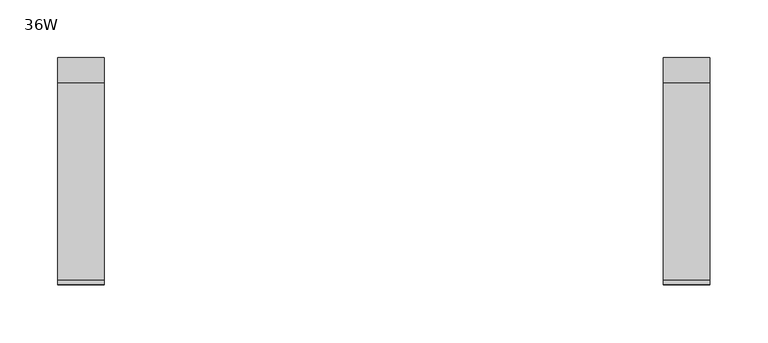
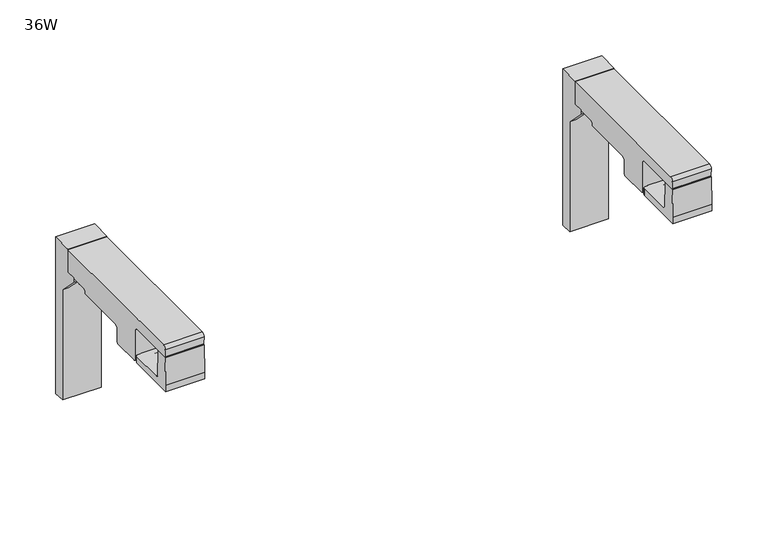
"""IFC4 building model written with IfcOpenShell, lengths in millimetres: furniture geometry, 36W."""

from ifc_helpers import new_model, si_unit, frame, origin, place, context, project, spatial, polyline, circle_curve, ellipse_curve, faceted_brep, source, transform, mapped, element, save
from ifc_brep_helpers import plane_surface, cylinder_surface, revolved_surface, advanced_brep


def furniture_36w_1440425d(model_context):
    return source(origin(), model_context, "Body", "SolidModel", [
        faceted_brep([(737.7843383, -13.0002398, 524.4821214), (737.7843383, -13.0002398, 695.7320972), (737.7843383, -34.3753954, 695.2400793), (737.7843383, -34.3753954, 669.9490718), (737.7843383, -44.7208395, 669.9490718), (737.7843383, -44.7208395, 665.1521324), (737.7843383, -25.2208397, 645.4422163), (737.7843383, -25.2208397, 524.9821272), (697.7843271, -13.0002398, 524.4821214), (697.7843271, -25.2208397, 524.9821272), (697.7843271, -25.2208397, 645.4422163), (697.7843271, -44.7208395, 665.1521324), (697.7843271, -44.7208395, 669.9490718), (697.7843271, -34.3753954, 669.9490718), (697.7843271, -34.3753954, 695.2400793), (697.7843271, -13.0002398, 695.7320972), (704.0365186, -44.7208395, 665.1521324), (715.1615118, -44.7208395, 665.0522834), (720.911506, -44.7208395, 665.1521324), (732.0365174, -44.7208395, 665.0522834), (732.0365174, -25.2208397, 645.4422163), (704.0365186, -25.2208397, 645.4422163), (715.1615118, -25.2208397, 645.4422163), (720.911506, -25.2208397, 645.4422163), (732.0365174, -25.2208397, 665.0522834), (720.911506, -25.2208397, 665.0522834), (715.1615118, -25.2208397, 665.0522834), (704.0365186, -25.2208397, 665.0522834)], [[[0, 1, 2, 3, 4, 5, 6, 7]], [[8, 9, 10, 11, 12, 13, 14, 15]], [[1, 0, 8, 15]], [[2, 1, 15, 14]], [[3, 2, 14, 13]], [[4, 3, 13, 12]], [[5, 4, 12, 11, 16, 17, 18, 19]], [[6, 5, 19, 20]], [[11, 10, 21, 16]], [[18, 17, 22, 23]], [[7, 6, 20, 24, 25, 23, 22, 26, 27, 21, 10, 9]], [[0, 7, 9, 8]], [[25, 24, 19, 18]], [[27, 26, 17, 16]], [[21, 27, 16]], [[26, 22, 17]], [[24, 20, 19]], [[23, 25, 18]]]),
        faceted_brep([(213.3963495, -13.0002398, 524.4821214), (213.3963495, -13.0002398, 695.7320972), (213.3963495, -34.3753954, 695.2400793), (213.3963495, -34.3753954, 669.9490718), (213.3963495, -44.7208395, 669.9490718), (213.3963495, -44.7208395, 665.1521324), (213.3963495, -25.2208397, 645.4422163), (213.3963495, -25.2208397, 524.9821272), (173.3963383, -13.0002398, 524.4821214), (173.3963383, -25.2208397, 524.9821272), (173.3963383, -25.2208397, 645.4422163), (173.3963383, -44.7208395, 665.1521324), (173.3963383, -44.7208395, 669.9490718), (173.3963383, -34.3753954, 669.9490718), (173.3963383, -34.3753954, 695.2400793), (173.3963383, -13.0002398, 695.7320972), (179.1463507, -44.7208395, 665.1521324), (190.2713439, -44.7208395, 665.0522834), (196.0213381, -44.7208395, 665.1521324), (207.1463495, -44.7208395, 665.0522834), (207.1463495, -25.2208397, 645.4422163), (179.1463507, -25.2208397, 645.4422163), (190.2713439, -25.2208397, 645.4422163), (196.0213381, -25.2208397, 645.4422163), (207.1463495, -25.2208397, 665.0522834), (196.0213381, -25.2208397, 665.0522834), (190.2713439, -25.2208397, 665.0522834), (179.1463507, -25.2208397, 665.0522834)], [[[0, 1, 2, 3, 4, 5, 6, 7]], [[8, 9, 10, 11, 12, 13, 14, 15]], [[1, 0, 8, 15]], [[2, 1, 15, 14]], [[3, 2, 14, 13]], [[4, 3, 13, 12]], [[5, 4, 12, 11, 16, 17, 18, 19]], [[6, 5, 19, 20]], [[11, 10, 21, 16]], [[18, 17, 22, 23]], [[7, 6, 20, 24, 25, 23, 22, 26, 27, 21, 10, 9]], [[0, 7, 9, 8]], [[25, 24, 19, 18]], [[27, 26, 17, 16]], [[21, 27, 16]], [[26, 22, 17]], [[24, 20, 19]], [[23, 25, 18]]]),
        advanced_brep(
        [(737.7843383, -34.3762385, 694.756892), (737.7843383, -205.6270499, 694.756892), (737.7843383, -209.1428417, 691.2411031), (737.7843383, -208.8189173, 683.347709), (737.7843383, -208.1362423, 682.8696948), (737.7843383, -157.5847288, 682.8696948), (737.7843383, -155.1147078, 680.3996738), (737.7843383, -155.1147078, 648.2077661), (737.7843383, -153.1244417, 646.2175), (737.7843383, -124.7937764, 646.2175), (737.7843383, -123.0534282, 647.9578482), (737.7843383, -122.5427758, 662.5810192), (737.7843383, -120.0715116, 665.0522834), (737.7843383, -67.0503173, 665.0522834), (737.7843383, -65.9566254, 665.5053107), (737.7843383, -65.3708418, 666.9194686), (737.7843383, -65.3708418, 667.9194802), (737.7843383, -64.7850536, 669.3337107), (737.7843383, -63.2994578, 669.9490718), (737.7843383, -34.3762385, 669.9490718), (697.7843271, -34.3762385, 694.756892), (697.7843271, -34.3762385, 669.9490718), (697.7843271, -63.2994578, 669.9490718), (697.7843271, -64.7850536, 669.3337107), (697.7843271, -65.3708418, 667.9194802), (697.7843271, -65.3708418, 666.9194686), (697.7843271, -65.9566254, 665.5053107), (697.7843271, -67.0503173, 665.0522834), (697.7843271, -120.0715116, 665.0522834), (697.7843271, -122.5427758, 662.5810192), (697.7843271, -123.0534282, 647.9578482), (697.7843271, -124.7937764, 646.2175), (697.7843271, -153.1244417, 646.2175), (697.7843271, -155.1147078, 648.2077661), (697.7843271, -155.1147078, 680.3996738), (697.7843271, -157.5847288, 682.8696948), (697.7843271, -208.1362423, 682.8696948), (697.7843271, -208.8189173, 683.347709), (697.7843271, -209.1428417, 691.2411031), (697.7843271, -205.6270499, 694.756892), (702.7797897, -124.7937764, 646.2175), (702.7797897, -140.0738437, 646.2175), (732.8515099, -140.0738437, 646.2175), (732.8515099, -124.7937764, 646.2175), (732.7752781, -123.0534282, 647.9578482), (702.8560215, -123.0534282, 647.9578482), (732.3094335, -122.682043, 658.5929286), (721.4513665, -122.6654343, 659.0685406), (714.1799316, -122.6654343, 659.0685406), (703.321866, -122.682043, 658.5929286), (731.8099401, -63.2994578, 669.9490718), (731.8099401, -34.3762385, 669.9490718), (703.7059231, -34.3762385, 669.9490718), (703.7059231, -63.2994578, 669.9490718), (703.6909291, -64.4119278, 669.4882663), (731.8277347, -64.3762385, 669.5030495), (731.5138826, -34.3762385, 679.0477242), (729.0796033, -34.3762385, 681.4820035), (706.4362611, -34.3762385, 681.4820035), (704.0019819, -34.3762385, 679.0477242), (729.0796033, -64.3762385, 681.4820035), (731.5138826, -64.3762385, 679.0477242), (704.0019819, -64.3762385, 679.0477242), (706.4362611, -64.3762385, 681.4820035), (714.1799316, -140.0738437, 659.0685406), (721.4513665, -140.0738437, 659.0685406), (732.3094335, -140.0738437, 658.5929286), (703.321866, -140.0738437, 658.5929286)],
        [
            (0, 1),
            (1, 2, circle_curve(frame((737.7843383, -205.6270499, 691.2411002), z_axis=(1.0, 0.0, 0.0), x_axis=(0.0, 1.0, 0.0)), 3.5157917)),
            (2, 3),
            (3, 4, circle_curve(frame((737.7843383, -208.2951756, 683.369202), z_axis=(1.0, 0.0, 0.0), x_axis=(0.0, 1.0, 0.0)), 0.5241824)),
            (4, 5),
            (5, 6),
            (6, 7),
            (7, 8, circle_curve(frame((737.7843383, -153.1244417, 648.2077661), z_axis=(1.0, 0.0, 0.0), x_axis=(0.0, 1.0, 0.0)), 1.9902661)),
            (8, 9),
            (9, 10, circle_curve(frame((737.7843383, -124.7937764, 647.9578482), z_axis=(1.0, 0.0, 0.0), x_axis=(0.0, 1.0, 0.0)), 1.7403482)),
            (10, 11),
            (11, 12),
            (12, 13),
            (13, 14),
            (14, 15),
            (15, 16),
            (16, 17),
            (17, 18),
            (18, 19),
            (19, 0),
            (20, 21),
            (21, 22),
            (22, 23),
            (23, 24),
            (24, 25),
            (25, 26),
            (26, 27),
            (27, 28),
            (28, 29),
            (29, 30),
            (30, 31, circle_curve(frame((697.7843271, -124.7937764, 647.9578482), z_axis=(-1.0, 0.0, 0.0), x_axis=(0.0, 1.0, 0.0)), 1.7403482)),
            (31, 32),
            (32, 33, circle_curve(frame((697.7843271, -153.1244417, 648.2077661), z_axis=(-1.0, 0.0, 0.0), x_axis=(0.0, 1.0, 0.0)), 1.9902661)),
            (33, 34),
            (34, 35),
            (35, 36),
            (36, 37, circle_curve(frame((697.7843271, -208.2951756, 683.369202), z_axis=(-1.0, 0.0, 0.0), x_axis=(0.0, 1.0, 0.0)), 0.5241824)),
            (37, 38),
            (38, 39, circle_curve(frame((697.7843271, -205.6270499, 691.2411002), z_axis=(-1.0, 0.0, 0.0), x_axis=(0.0, 1.0, 0.0)), 3.5157917)),
            (39, 20),
            (0, 20),
            (39, 1),
            (38, 2),
            (37, 3),
            (4, 36),
            (35, 5),
            (34, 6),
            (33, 7),
            (32, 8),
            (31, 40),
            (40, 41),
            (41, 42),
            (42, 43),
            (43, 9),
            (43, 44, ellipse_curve(frame((732.7752781, -124.7937764, 647.9578482), z_axis=(0.9990420426682839, 0.0, 0.04376067848174626), x_axis=(0.04376067848174691, 0.0, -0.9990420426682839)), 1.742017, 1.7403482)),
            (44, 10),
            (30, 45),
            (45, 40, ellipse_curve(frame((702.8560215, -124.7937764, 647.9578482), z_axis=(-0.9990420429157125, 0.0, 0.043760672833031804), x_axis=(0.043760672833030895, 0.0, 0.9990420429157125)), 1.742017, 1.7403482)),
            (44, 46),
            (46, 47),
            (47, 48),
            (48, 49),
            (49, 45),
            (29, 11),
            (28, 12),
            (27, 13),
            (18, 50),
            (50, 51),
            (51, 19),
            (21, 52),
            (52, 53),
            (53, 22),
            (26, 14),
            (25, 15),
            (24, 16),
            (23, 17),
            (53, 54),
            (54, 55),
            (55, 50),
            (51, 56),
            (56, 57, circle_curve(frame((729.0796033, -34.3762385, 679.0477242), z_axis=(0.0, -1.0, 0.0), x_axis=(1.0, 0.0, 0.0)), 2.4342793)),
            (57, 58),
            (58, 59, circle_curve(frame((706.4362611, -34.3762385, 679.0477242), z_axis=(0.0, -1.0, 0.0), x_axis=(1.0, 0.0, 0.0)), 2.4342793)),
            (59, 52),
            (60, 61, circle_curve(frame((729.0796033, -64.3762385, 679.0477242), z_axis=(0.0, 1.0, 0.0), x_axis=(1.0, 0.0, 0.0)), 2.4342793)),
            (61, 55),
            (54, 62),
            (62, 63, circle_curve(frame((706.4362611, -64.3762385, 679.0477242), z_axis=(0.0, 1.0, 0.0), x_axis=(1.0, 0.0, 0.0)), 2.4342793)),
            (63, 60),
            (63, 58),
            (57, 60),
            (62, 59),
            (61, 56),
            (64, 65),
            (65, 66),
            (66, 42),
            (41, 67),
            (67, 64),
            (67, 49),
            (48, 64),
            (66, 46),
            (65, 47),
        ],
        [
            plane_surface(frame((737.7843383, -205.6270499, 694.756892), z_axis=(1.0, 0.0, 0.0), x_axis=(0.0, -1.0, 0.0))),
            plane_surface(frame((697.7843271, -205.6270499, 694.756892), z_axis=(-1.0, 0.0, 0.0), x_axis=(0.0, 1.0, 0.0))),
            plane_surface(frame((737.7843383, -34.3762385, 694.756892), z_axis=(0.0, 0.0, 1.0), x_axis=(-1.0, 0.0, 0.0))),
            cylinder_surface(frame((697.7843271, -205.6270499, 691.2411002), z_axis=(1.0, 0.0, 0.0), x_axis=(0.0, 1.0, 0.0)), 3.5157917),
            plane_surface(frame((737.7843383, -209.1428417, 691.2411031), z_axis=(0.0, -0.9991590276048403, -0.04100289691899894), x_axis=(-1.0, 0.0, 0.0))),
            plane_surface(frame((737.7843383, -208.1362423, 682.8696948), z_axis=(0.0, 0.0, -1.0), x_axis=(-1.0, 0.0, 0.0))),
            plane_surface(frame((737.7843383, -157.5847288, 682.8696948), z_axis=(0.0, -0.7071067811865281, -0.7071067811865669), x_axis=(-1.0, 0.0, 0.0))),
            plane_surface(frame((737.7843383, -155.1147078, 680.3996738), z_axis=(0.0, -1.0, 0.0), x_axis=(-1.0, 0.0, 0.0))),
            cylinder_surface(frame((697.7843271, -153.1244417, 648.2077661), z_axis=(1.0, 0.0, 0.0), x_axis=(0.0, 1.0, 0.0)), 1.9902661),
            plane_surface(frame((737.7843383, -153.1244417, 646.2175), z_axis=(0.0, 0.0, -1.0), x_axis=(-1.0, 0.0, 0.0))),
            cylinder_surface(frame((697.7843271, -124.7937764, 647.9578482), z_axis=(1.0, 0.0, 0.0), x_axis=(0.0, 1.0, 0.0)), 1.7403482),
            plane_surface(frame((737.7843383, -123.0534282, 647.9578482), z_axis=(0.0, 0.9993908270188304, -0.03489949671009959), x_axis=(-1.0, 0.0, 0.0))),
            plane_surface(frame((737.7843383, -122.5427758, 662.5810192), z_axis=(0.0, 0.7071067811865646, -0.7071067811865307), x_axis=(-1.0, 0.0, 0.0))),
            plane_surface(frame((737.7843383, -120.0715116, 665.0522834), z_axis=(0.0, 0.0, -1.0), x_axis=(-1.0, 0.0, 0.0))),
            plane_surface(frame((737.7843383, -63.2994578, 669.9490718), z_axis=(0.0, 0.0, -1.0), x_axis=(-1.0, 0.0, 0.0))),
            cylinder_surface(frame((697.7843271, -208.2951756, 683.369202), z_axis=(1.0, 0.0, 0.0), x_axis=(0.0, 1.0, 0.0)), 0.5241824),
            plane_surface(frame((737.7843383, -67.0503173, 665.0522834), z_axis=(0.0, 0.3826872177220064, -0.9238779645560282), x_axis=(-1.0, 0.0, 0.0))),
            plane_surface(frame((737.7843383, -65.9566254, 665.5053107), z_axis=(0.0, 0.9238748481049176, -0.3826947413267075), x_axis=(-1.0, 0.0, 0.0))),
            plane_surface(frame((737.7843383, -65.3708418, 666.9194686), z_axis=(0.0, 1.0, 0.0), x_axis=(-1.0, 0.0, 0.0))),
            plane_surface(frame((737.7843383, -65.3708418, 667.9194802), z_axis=(0.0, 0.9238807517163932, -0.38268048893032486), x_axis=(-1.0, 0.0, 0.0))),
            plane_surface(frame((737.7843383, -64.7850536, 669.3337107), z_axis=(0.0, 0.38268721769037967, -0.9238779645691286), x_axis=(-1.0, 0.0, 0.0))),
            plane_surface(frame((737.7843383, -34.3762385, 669.9490718), z_axis=(0.0, 1.0, 0.0), x_axis=(-1.0, 0.0, 0.0))),
            plane_surface(frame((706.4362611, -64.3762385, 681.4820035), z_axis=(0.0, 1.0, 0.0), x_axis=(-1.0, 0.0, 0.0))),
            plane_surface(frame((729.0796033, -64.3762385, 681.4820035), z_axis=(0.0, 0.0, -1.0), x_axis=(0.0, 1.0, 0.0))),
            revolved_surface(polyline([(708.8705404, -64.3762385, 679.0477242), (708.8705404, -34.3762385, 679.0477242)]), (706.4362611, -34.3762385, 679.0477242), (0.0, -1.0, 0.0)),
            plane_surface(frame((704.0019819, -64.3762385, 679.0477242), z_axis=(0.9994710350913933, 0.0, -0.03252153153433829), x_axis=(0.0, 1.0, 0.0))),
            plane_surface(frame((731.8277347, -64.3762385, 669.4021968), z_axis=(-0.9994710393903322, 0.0, -0.0325213994165262), x_axis=(0.0, 1.0, 0.0))),
            revolved_surface(polyline([(731.5138826, -64.3762385, 679.0477242), (731.5138826, -34.3762385, 679.0477242)]), (729.0796033, -34.3762385, 679.0477242), (0.0, -1.0, 0.0)),
            plane_surface(frame((178.8821527, -140.0738437, 658.5929286), z_axis=(0.0, 1.0, 0.0), x_axis=(-0.9990420426678105, 0.0, -0.043760678492554404))),
            plane_surface(frame((714.1799316, -140.0738437, 659.0685406), z_axis=(0.04376067849379975, 0.0, -0.999042042667756), x_axis=(0.0, 1.0, 0.0))),
            plane_surface(frame((703.321866, -140.0738437, 658.5929286), z_axis=(0.9990420429157125, 0.0, -0.043760672833031804), x_axis=(0.0, 1.0, 0.0))),
            plane_surface(frame((732.9317659, -140.0738437, 644.385283), z_axis=(-0.9990420426682839, 0.0, -0.04376067848174626), x_axis=(0.0, 1.0, 0.0))),
            plane_surface(frame((732.3094335, -140.0738437, 658.5929286), z_axis=(-0.043760672820618796, 0.0, -0.9990420429162563), x_axis=(0.0, 1.0, 0.0))),
            plane_surface(frame((721.4513665, -140.0738437, 659.0685406), z_axis=(0.0, 0.0, -1.0), x_axis=(0.0, 1.0, 0.0))),
        ],
        [
            (0, [[1, 2, 3, 4, 5, 6, 7, 8, 9, 10, 11, 12, 13, 14, 15, 16, 17, 18, 19, 20]]),
            (1, [[21, 22, 23, 24, 25, 26, 27, 28, 29, 30, 31, 32, 33, 34, 35, 36, 37, 38, 39, 40]]),
            (2, [[-1, 41, -40, 42]]),
            (3, [[-2, -42, -39, 43]]),
            (4, [[-3, -43, -38, 44]]),
            (5, [[-5, 45, -36, 46]]),
            (6, [[-6, -46, -35, 47]]),
            (7, [[-7, -47, -34, 48]]),
            (8, [[-8, -48, -33, 49]]),
            (9, [[-9, -49, -32, 50, 51, 52, 53, 54]]),
            (10, [[-10, -54, 55, 56]]),
            (10, [[-31, 57, 58, -50]]),
            (11, [[-11, -56, 59, 60, 61, 62, 63, -57, -30, 64]]),
            (12, [[-12, -64, -29, 65]]),
            (13, [[-13, -65, -28, 66]]),
            (14, [[-19, 67, 68, 69]]),
            (14, [[-22, 70, 71, 72]]),
            (15, [[-4, -44, -37, -45]]),
            (16, [[-14, -66, -27, 73]]),
            (17, [[-15, -73, -26, 74]]),
            (18, [[-16, -74, -25, 75]]),
            (19, [[-17, -75, -24, 76]]),
            (20, [[-18, -76, -23, -72, 77, 78, 79, -67]]),
            (21, [[-20, -69, 80, 81, 82, 83, 84, -70, -21, -41]]),
            (22, [[85, 86, -78, 87, 88, 89]]),
            (23, [[-89, 90, -82, 91]]),
            (24, [[-88, 92, -83, -90]]),
            (25, [[-87, -77, -71, -84, -92]]),
            (26, [[-86, 93, -80, -68, -79]]),
            (27, [[-85, -91, -81, -93]]),
            (28, [[94, 95, 96, -52, 97, 98]]),
            (29, [[-98, 99, -62, 100]]),
            (30, [[-97, -51, -58, -63, -99]]),
            (31, [[-96, 101, -59, -55, -53]]),
            (32, [[-95, 102, -60, -101]]),
            (33, [[-94, -100, -61, -102]]),
        ],
    ),
        advanced_brep(
        [(204.718015, -64.3762385, 682.1070035), (207.1522943, -64.3762385, 679.6727242), (207.4661464, -64.3762385, 670.0271968), (179.3265402, -64.3762385, 670.0271968), (179.6403935, -64.3762385, 679.6727242), (182.0746728, -64.3762385, 682.1070035), (182.0746728, -34.3762385, 682.1070035), (204.718015, -34.3762385, 682.1070035), (179.6403935, -34.3762385, 679.6727242), (179.3265402, -63.1108495, 670.0271968), (179.3265402, -34.3762385, 670.0271968), (207.4661464, -63.1108495, 670.0271968), (207.1522943, -34.3762385, 679.6727242), (207.4661464, -34.3762385, 670.0271968), (213.3963495, -34.3762385, 694.756892), (213.3963495, -205.6270499, 694.756892), (213.3963495, -209.1428417, 691.2411031), (213.3963495, -208.8189173, 683.347709), (213.3963495, -208.1362423, 682.8696948), (213.3963495, -157.5847288, 682.8696948), (213.3963495, -155.1147078, 680.3996738), (213.3963495, -155.1147078, 648.2077661), (213.3963495, -153.1244417, 646.2175), (213.3963495, -124.7937764, 646.2175), (213.3963495, -123.0534282, 647.9578482), (213.3963495, -122.5427758, 662.5810192), (213.3963495, -120.0715116, 665.0522834), (213.3963495, -67.0503173, 665.0522834), (213.3963495, -65.9566254, 665.5053107), (213.3963495, -65.3708418, 666.9194686), (213.3963495, -65.3708418, 667.9194802), (213.3963495, -64.7850536, 669.3337107), (213.3963495, -63.1108495, 670.0271968), (213.3963495, -34.3762385, 670.0271968), (173.3963383, -34.3762385, 694.756892), (173.3963383, -34.3762385, 670.0271968), (173.3963383, -63.1108495, 670.0271968), (173.3963383, -64.7850536, 669.3337107), (173.3963383, -65.3708418, 667.9194802), (173.3963383, -65.3708418, 666.9194686), (173.3963383, -65.9566254, 665.5053107), (173.3963383, -67.0503173, 665.0522834), (173.3963383, -120.0715116, 665.0522834), (173.3963383, -122.5427758, 662.5810192), (173.3963383, -123.0534282, 647.9578482), (173.3963383, -124.7937764, 646.2175), (173.3963383, -153.1244417, 646.2175), (173.3963383, -155.1147078, 648.2077661), (173.3963383, -155.1147078, 680.3996738), (173.3963383, -157.5847288, 682.8696948), (173.3963383, -208.1362423, 682.8696948), (173.3963383, -208.8189173, 683.347709), (173.3963383, -209.1428417, 691.2411031), (173.3963383, -205.6270499, 694.756892), (178.3400763, -124.7937764, 646.2175), (178.3400763, -140.0738437, 646.2175), (208.4117966, -140.0738437, 646.2175), (208.4117966, -124.7937764, 646.2175), (208.3355648, -123.0534282, 647.9578482), (178.4163082, -123.0534282, 647.9578482), (207.8697202, -122.682043, 658.5929286), (197.0116532, -122.6654343, 659.0685406), (189.7402183, -122.6654343, 659.0685406), (178.8821527, -122.682043, 658.5929286), (189.7402183, -140.0738437, 659.0685406), (197.0116532, -140.0738437, 659.0685406), (207.8697202, -140.0738437, 658.5929286), (178.8821527, -140.0738437, 658.5929286)],
        [
            (0, 1, circle_curve(frame((204.718015, -64.3762385, 679.6727242), z_axis=(0.0, 1.0, 0.0), x_axis=(1.0, 0.0, 0.0)), 2.4342793)),
            (1, 2),
            (2, 3),
            (3, 4),
            (4, 5, circle_curve(frame((182.0746728, -64.3762385, 679.6727242), z_axis=(0.0, 1.0, 0.0), x_axis=(1.0, 0.0, 0.0)), 2.4342793)),
            (5, 0),
            (5, 6),
            (6, 7),
            (7, 0),
            (4, 8),
            (8, 6, circle_curve(frame((182.0746728, -34.3762385, 679.6727242), z_axis=(0.0, 1.0, 0.0), x_axis=(1.0, 0.0, 0.0)), 2.4342793)),
            (3, 9),
            (9, 10),
            (10, 8),
            (2, 11),
            (11, 9),
            (1, 12),
            (12, 13),
            (13, 11),
            (7, 12, circle_curve(frame((204.718015, -34.3762385, 679.6727242), z_axis=(0.0, 1.0, 0.0), x_axis=(1.0, 0.0, 0.0)), 2.4342793)),
            (14, 15),
            (15, 16, circle_curve(frame((213.3963495, -205.6270499, 691.2411002), z_axis=(1.0, 0.0, 0.0), x_axis=(0.0, 1.0, 0.0)), 3.5157917)),
            (16, 17),
            (17, 18, circle_curve(frame((213.3963495, -208.2951756, 683.369202), z_axis=(1.0, 0.0, 0.0), x_axis=(0.0, 1.0, 0.0)), 0.5241824)),
            (18, 19),
            (19, 20),
            (20, 21),
            (21, 22, circle_curve(frame((213.3963495, -153.1244417, 648.2077661), z_axis=(1.0, 0.0, 0.0), x_axis=(0.0, 1.0, 0.0)), 1.9902661)),
            (22, 23),
            (23, 24, circle_curve(frame((213.3963495, -124.7937764, 647.9578482), z_axis=(1.0, 0.0, 0.0), x_axis=(0.0, 1.0, 0.0)), 1.7403482)),
            (24, 25),
            (25, 26),
            (26, 27),
            (27, 28),
            (28, 29),
            (29, 30),
            (30, 31),
            (31, 32),
            (32, 33),
            (33, 14),
            (34, 35),
            (35, 36),
            (36, 37),
            (37, 38),
            (38, 39),
            (39, 40),
            (40, 41),
            (41, 42),
            (42, 43),
            (43, 44),
            (44, 45, circle_curve(frame((173.3963383, -124.7937764, 647.9578482), z_axis=(-1.0, 0.0, 0.0), x_axis=(0.0, 1.0, 0.0)), 1.7403482)),
            (45, 46),
            (46, 47, circle_curve(frame((173.3963383, -153.1244417, 648.2077661), z_axis=(-1.0, 0.0, 0.0), x_axis=(0.0, 1.0, 0.0)), 1.9902661)),
            (47, 48),
            (48, 49),
            (49, 50),
            (50, 51, circle_curve(frame((173.3963383, -208.2951756, 683.369202), z_axis=(-1.0, 0.0, 0.0), x_axis=(0.0, 1.0, 0.0)), 0.5241824)),
            (51, 52),
            (52, 53, circle_curve(frame((173.3963383, -205.6270499, 691.2411002), z_axis=(-1.0, 0.0, 0.0), x_axis=(0.0, 1.0, 0.0)), 3.5157917)),
            (53, 34),
            (14, 34),
            (53, 15),
            (52, 16),
            (51, 17),
            (18, 50),
            (49, 19),
            (48, 20),
            (47, 21),
            (46, 22),
            (45, 54),
            (54, 55),
            (55, 56),
            (56, 57),
            (57, 23),
            (57, 58, ellipse_curve(frame((208.3355648, -124.7937764, 647.9578482), z_axis=(0.9990420426673636, 0.0, 0.043760678502757125), x_axis=(0.0437606785027544, 0.0, -0.9990420426673636)), 1.742017, 1.7403482)),
            (58, 24),
            (44, 59),
            (59, 54, ellipse_curve(frame((178.4163082, -124.7937764, 647.9578482), z_axis=(-0.9990420429166637, 0.0, 0.04376067281131879), x_axis=(0.04376067281131751, 0.0, 0.9990420429166637)), 1.742017, 1.7403482)),
            (58, 60),
            (60, 61),
            (61, 62),
            (62, 63),
            (63, 59),
            (43, 25),
            (42, 26),
            (41, 27),
            (32, 11),
            (13, 33),
            (35, 10),
            (9, 36),
            (40, 28),
            (39, 29),
            (38, 30),
            (37, 31),
            (64, 65),
            (65, 66),
            (66, 56),
            (55, 67),
            (67, 64),
            (67, 63),
            (62, 64),
            (66, 60),
            (65, 61),
        ],
        [
            plane_surface(frame((186.7621728, -64.3762385, 682.1070035), z_axis=(0.0, 1.0, 0.0), x_axis=(-1.0, 0.0, 0.0))),
            plane_surface(frame((204.718015, -64.3762385, 682.1070035), z_axis=(0.0, 0.0, -1.0), x_axis=(0.0, 1.0, 0.0))),
            revolved_surface(polyline([(184.5089521, -64.3762385, 679.6727242), (184.5089521, -34.3762385, 679.6727242)]), (182.0746728, -34.3762385, 679.6727242), (0.0, -1.0, 0.0)),
            plane_surface(frame((179.6403935, -64.3762385, 679.6727242), z_axis=(0.9994710350913949, 0.0, -0.03252153153428925), x_axis=(0.0, 1.0, 0.0))),
            plane_surface(frame((179.3265402, -64.3762385, 670.0271968), z_axis=(0.0, 0.0, 1.0), x_axis=(0.0, 1.0, 0.0))),
            plane_surface(frame((207.4661464, -64.3762385, 670.0271968), z_axis=(-0.9994710393903302, 0.0, -0.03252139941658604), x_axis=(0.0, 1.0, 0.0))),
            revolved_surface(polyline([(207.1522943, -64.3762385, 679.6727242), (207.1522943, -34.3762385, 679.6727242)]), (204.718015, -34.3762385, 679.6727242), (0.0, -1.0, 0.0)),
            plane_surface(frame((213.3963495, -205.6270499, 694.756892), z_axis=(1.0, 0.0, 0.0), x_axis=(0.0, -1.0, 0.0))),
            plane_surface(frame((173.3963383, -205.6270499, 694.756892), z_axis=(-1.0, 0.0, 0.0), x_axis=(0.0, 1.0, 0.0))),
            plane_surface(frame((213.3963495, -34.3762385, 694.756892), z_axis=(0.0, 0.0, 1.0), x_axis=(-1.0, 0.0, 0.0))),
            cylinder_surface(frame((173.3963383, -205.6270499, 691.2411002), z_axis=(1.0, 0.0, 0.0), x_axis=(0.0, 1.0, 0.0)), 3.5157917),
            plane_surface(frame((213.3963495, -209.1428417, 691.2411031), z_axis=(0.0, -0.9991590276048404, -0.04100289691899577), x_axis=(-1.0, 0.0, 0.0))),
            plane_surface(frame((213.3963495, -208.1362423, 682.8696948), z_axis=(0.0, 0.0, -1.0), x_axis=(-1.0, 0.0, 0.0))),
            plane_surface(frame((213.3963495, -157.5847288, 682.8696948), z_axis=(0.0, -0.7071067811865281, -0.7071067811865669), x_axis=(-1.0, 0.0, 0.0))),
            plane_surface(frame((213.3963495, -155.1147078, 680.3996738), z_axis=(0.0, -1.0, 0.0), x_axis=(-1.0, 0.0, 0.0))),
            cylinder_surface(frame((173.3963383, -153.1244417, 648.2077661), z_axis=(1.0, 0.0, 0.0), x_axis=(0.0, 1.0, 0.0)), 1.9902661),
            plane_surface(frame((213.3963495, -153.1244417, 646.2175), z_axis=(0.0, 0.0, -1.0), x_axis=(-1.0, 0.0, 0.0))),
            cylinder_surface(frame((173.3963383, -124.7937764, 647.9578482), z_axis=(1.0, 0.0, 0.0), x_axis=(0.0, 1.0, 0.0)), 1.7403482),
            plane_surface(frame((213.3963495, -123.0534282, 647.9578482), z_axis=(0.0, 0.9993908270188304, -0.034899496710099856), x_axis=(-1.0, 0.0, 0.0))),
            plane_surface(frame((213.3963495, -122.5427758, 662.5810192), z_axis=(0.0, 0.7071067811865523, -0.7071067811865427), x_axis=(-1.0, 0.0, 0.0))),
            plane_surface(frame((213.3963495, -120.0715116, 665.0522834), z_axis=(0.0, 0.0, -1.0), x_axis=(-1.0, 0.0, 0.0))),
            plane_surface(frame((213.3963495, -63.1108495, 670.0271968), z_axis=(0.0, 0.0, -1.0), x_axis=(-1.0, 0.0, 0.0))),
            cylinder_surface(frame((173.3963383, -208.2951756, 683.369202), z_axis=(1.0, 0.0, 0.0), x_axis=(0.0, 1.0, 0.0)), 0.5241824),
            plane_surface(frame((213.3963495, -67.0503173, 665.0522834), z_axis=(0.0, 0.3826872177220064, -0.9238779645560282), x_axis=(-1.0, 0.0, 0.0))),
            plane_surface(frame((213.3963495, -65.9566254, 665.5053107), z_axis=(0.0, 0.9238748481049176, -0.3826947413267075), x_axis=(-1.0, 0.0, 0.0))),
            plane_surface(frame((213.3963495, -65.3708418, 666.9194686), z_axis=(0.0, 1.0, 0.0), x_axis=(-1.0, 0.0, 0.0))),
            plane_surface(frame((213.3963495, -65.3708418, 667.9194802), z_axis=(0.0, 0.9238807517163932, -0.38268048893032486), x_axis=(-1.0, 0.0, 0.0))),
            plane_surface(frame((213.3963495, -64.7850536, 669.3337107), z_axis=(0.0, 0.3826872176904137, -0.9238779645691145), x_axis=(-1.0, 0.0, 0.0))),
            plane_surface(frame((213.3963495, -34.3762385, 670.0271968), z_axis=(0.0, 1.0, 0.0), x_axis=(-1.0, 0.0, 0.0))),
            plane_surface(frame((178.8821527, -140.0738437, 658.5929286), z_axis=(0.0, 1.0, 0.0), x_axis=(-0.9990420426678105, 0.0, -0.043760678492554404))),
            plane_surface(frame((189.7402183, -140.0738437, 659.0685406), z_axis=(0.043760678492554404, 0.0, -0.9990420426678105), x_axis=(0.0, 1.0, 0.0))),
            plane_surface(frame((178.8821527, -140.0738437, 658.5929286), z_axis=(0.9990420429166637, 0.0, -0.04376067281131879), x_axis=(0.0, 1.0, 0.0))),
            plane_surface(frame((208.4920526, -140.0738437, 644.385283), z_axis=(-0.9990420426673636, 0.0, -0.043760678502757125), x_axis=(0.0, 1.0, 0.0))),
            plane_surface(frame((207.8697202, -140.0738437, 658.5929286), z_axis=(-0.043760672821864, 0.0, -0.9990420429162017), x_axis=(0.0, 1.0, 0.0))),
            plane_surface(frame((197.0116532, -140.0738437, 659.0685406), z_axis=(0.0, 0.0, -1.0), x_axis=(0.0, 1.0, 0.0))),
        ],
        [
            (0, [[1, 2, 3, 4, 5, 6]]),
            (1, [[-6, 7, 8, 9]]),
            (2, [[-5, 10, 11, -7]]),
            (3, [[-4, 12, 13, 14, -10]]),
            (4, [[-3, 15, 16, -12]]),
            (5, [[-2, 17, 18, 19, -15]]),
            (6, [[-1, -9, 20, -17]]),
            (7, [[21, 22, 23, 24, 25, 26, 27, 28, 29, 30, 31, 32, 33, 34, 35, 36, 37, 38, 39, 40]]),
            (8, [[41, 42, 43, 44, 45, 46, 47, 48, 49, 50, 51, 52, 53, 54, 55, 56, 57, 58, 59, 60]]),
            (9, [[-21, 61, -60, 62]]),
            (10, [[-22, -62, -59, 63]]),
            (11, [[-23, -63, -58, 64]]),
            (12, [[-25, 65, -56, 66]]),
            (13, [[-26, -66, -55, 67]]),
            (14, [[-27, -67, -54, 68]]),
            (15, [[-28, -68, -53, 69]]),
            (16, [[-29, -69, -52, 70, 71, 72, 73, 74]]),
            (17, [[-30, -74, 75, 76]]),
            (17, [[-51, 77, 78, -70]]),
            (18, [[-31, -76, 79, 80, 81, 82, 83, -77, -50, 84]]),
            (19, [[-32, -84, -49, 85]]),
            (20, [[-33, -85, -48, 86]]),
            (21, [[-39, 87, -19, 88]]),
            (21, [[-42, 89, -13, 90]]),
            (22, [[-24, -64, -57, -65]]),
            (23, [[-34, -86, -47, 91]]),
            (24, [[-35, -91, -46, 92]]),
            (25, [[-36, -92, -45, 93]]),
            (26, [[-37, -93, -44, 94]]),
            (27, [[-38, -94, -43, -90, -16, -87]]),
            (28, [[-40, -88, -18, -20, -8, -11, -14, -89, -41, -61]]),
            (29, [[95, 96, 97, -72, 98, 99]]),
            (30, [[-99, 100, -82, 101]]),
            (31, [[-98, -71, -78, -83, -100]]),
            (32, [[-97, 102, -79, -75, -73]]),
            (33, [[-96, 103, -80, -102]]),
            (34, [[-95, -101, -81, -103]]),
        ],
    ),
        advanced_brep(
        [(703.9244831, -141.7010771, 652.905), (703.9244831, -141.7010771, 645.905), (703.455545, -143.4503243, 645.905), (703.455545, -143.4503243, 652.905), (705.2049653, -140.4205949, 652.905), (705.2049653, -140.4205949, 645.905), (706.9542125, -139.9516569, 652.905), (706.4984275, -140.0738437, 645.905), (698.2232514, -156.9508595, 652.905), (698.2232514, -156.9508595, 645.905), (697.7843271, -158.5897425, 645.905), (697.7843271, -158.5897425, 652.905), (698.9547476, -156.2193633, 652.905), (698.9547476, -156.2193633, 645.905), (699.9543266, -155.9516568, 652.905), (699.9543266, -155.9516568, 645.905), (702.9557734, -155.9516568, 652.905), (702.9557734, -155.9516568, 645.905), (703.455545, -155.0828126, 652.905), (703.455545, -155.0828126, 645.905), (732.2482352, -155.0828126, 652.905), (732.2482352, -155.0828126, 645.905), (732.2482352, -143.4503243, 645.905), (732.2482352, -143.4503243, 652.905), (732.7480068, -155.9516568, 652.905), (732.7480068, -155.9516568, 645.905), (735.7494536, -155.9516568, 652.905), (735.7494536, -155.9516568, 645.905), (736.7490326, -156.2193631, 652.905), (736.7490326, -156.2193631, 645.905), (737.4805286, -156.9508595, 652.905), (737.4805286, -156.9508595, 645.905), (737.7843383, -158.0852431, 652.905), (737.7843383, -158.0852431, 645.905), (730.498815, -140.4205949, 652.905), (730.498815, -140.4205949, 645.905), (729.2053528, -140.0738437, 645.905), (728.7495678, -139.9516569, 652.905), (731.7792972, -141.7010771, 652.905), (731.7792972, -141.7010771, 645.905), (737.7843383, -192.6231607, 652.905), (737.7843383, -195.035912, 655.3177513), (737.7843383, -195.9812599, 682.3889731), (737.7843383, -208.9220534, 682.3889731), (737.7843383, -209.9516568, 652.905), (737.7843383, -209.8294706, 645.905), (697.7843271, -209.8294706, 645.905), (697.7843271, -209.9516568, 652.905), (697.7843271, -208.9220534, 682.3889731), (697.7843271, -195.9812599, 682.3889731), (697.7843271, -195.035912, 655.3177513), (697.7843271, -192.6231607, 652.905)],
        [
            (0, 1),
            (1, 2),
            (2, 3),
            (3, 0),
            (0, 4),
            (4, 5),
            (5, 1),
            (4, 6),
            (6, 7),
            (7, 5),
            (8, 9),
            (9, 10),
            (10, 11),
            (11, 8),
            (8, 12),
            (12, 13),
            (13, 9),
            (12, 14),
            (14, 15),
            (15, 13),
            (14, 16),
            (16, 17),
            (17, 15),
            (16, 18, circle_curve(frame((702.450424, -155.0828126, 652.905), z_axis=(0.0, 0.0, 1.0), x_axis=(1.0, 0.0, 0.0)), 1.005121)),
            (18, 19),
            (19, 17, circle_curve(frame((702.450424, -155.0828126, 645.905), z_axis=(0.0, 0.0, -1.0), x_axis=(1.0, 0.0, 0.0)), 1.005121)),
            (2, 19),
            (18, 3),
            (20, 21),
            (21, 22),
            (22, 23),
            (23, 20),
            (20, 24, circle_curve(frame((733.2533564, -155.0828126, 652.905), z_axis=(0.0, 0.0, 1.0), x_axis=(1.0, 0.0, 0.0)), 1.0051211)),
            (24, 25),
            (25, 21, circle_curve(frame((733.2533564, -155.0828126, 645.905), z_axis=(0.0, 0.0, -1.0), x_axis=(1.0, 0.0, 0.0)), 1.0051211)),
            (24, 26),
            (26, 27),
            (27, 25),
            (26, 28),
            (28, 29),
            (29, 27),
            (28, 30),
            (30, 31),
            (31, 29),
            (30, 32),
            (32, 33),
            (33, 31),
            (34, 35),
            (35, 36),
            (36, 37),
            (37, 34),
            (34, 38),
            (38, 39),
            (39, 35),
            (22, 39),
            (38, 23),
            (40, 41, circle_curve(frame((737.7843383, -192.6231607, 655.3177513), z_axis=(-1.0, 0.0, 0.0), x_axis=(0.0, 1.0, 0.0)), 2.4127513)),
            (41, 42),
            (42, 43),
            (43, 44),
            (44, 45),
            (45, 33),
            (32, 40),
            (46, 47),
            (47, 48),
            (48, 49),
            (49, 50),
            (50, 51, circle_curve(frame((697.7843271, -192.6231607, 655.3177513), z_axis=(1.0, 0.0, 0.0), x_axis=(0.0, 1.0, 0.0)), 2.4127513)),
            (51, 11),
            (10, 46),
            (36, 7),
            (6, 37),
            (51, 40),
            (50, 41),
            (49, 42),
            (48, 43),
            (47, 44),
            (46, 45),
        ],
        [
            plane_surface(frame((703.455545, -143.4503243, 652.905), z_axis=(-0.9658942540049986, 0.25893684573680786, 0.0), x_axis=(0.0, 0.0, -1.0))),
            plane_surface(frame((703.9244831, -141.7010771, 652.905), z_axis=(-0.7071067760398695, 0.7071067863332255, 0.0), x_axis=(0.0, 0.0, -1.0))),
            plane_surface(frame((705.2049653, -140.4205949, 652.905), z_axis=(-0.2589368493370114, 0.9658942530398563, 0.0), x_axis=(0.0, 0.0, -1.0))),
            plane_surface(frame((696.236795, -164.3680151, 652.905), z_axis=(-0.9659572192072966, 0.2587018567024729, 0.0), x_axis=(0.0, 0.0, -1.0))),
            plane_surface(frame((698.2232514, -156.9508595, 652.905), z_axis=(-0.7071067811866456, 0.7071067811864494, 0.0), x_axis=(0.0, 0.0, -1.0))),
            plane_surface(frame((698.9547476, -156.2193633, 652.905), z_axis=(-0.2587018567027409, 0.9659572192072249, 0.0), x_axis=(0.0, 0.0, -1.0))),
            plane_surface(frame((699.9543266, -155.9516568, 652.905), z_axis=(0.0, 1.0, 0.0), x_axis=(0.0, 0.0, -1.0))),
            revolved_surface(polyline([(703.455545, -155.0828126, 652.905), (703.455545, -155.0828126, 645.905)]), (702.450424, -155.0828126, 667.9051241), (0.0, 0.0, 1.0)),
            plane_surface(frame((703.455545, -155.0828126, 652.905), z_axis=(-1.0, 0.0, 0.0), x_axis=(0.0, 0.0, -1.0))),
            plane_surface(frame((732.2482352, -143.4503243, 652.905), z_axis=(1.0, 0.0, 0.0), x_axis=(0.0, 0.0, -1.0))),
            revolved_surface(polyline([(734.2584775, -155.0828126, 652.905), (734.2584775, -155.0828126, 645.905)]), (733.2533564, -155.0828126, 667.9051241), (0.0, 0.0, 1.0)),
            plane_surface(frame((732.7480068, -155.9516568, 652.905), z_axis=(0.0, 1.0, 0.0), x_axis=(0.0, 0.0, -1.0))),
            plane_surface(frame((735.7494536, -155.9516568, 652.905), z_axis=(0.2587016970820589, 0.9659572619566886, 0.0), x_axis=(0.0, 0.0, -1.0))),
            plane_surface(frame((736.7490326, -156.2193631, 652.905), z_axis=(0.7071069992546413, 0.7071065631183865, 0.0), x_axis=(0.0, 0.0, -1.0))),
            plane_surface(frame((737.4805286, -156.9508595, 652.905), z_axis=(0.9659572113389603, 0.2587018860817588, 0.0), x_axis=(0.0, 0.0, -1.0))),
            plane_surface(frame((721.1725361, -137.9204069, 652.905), z_axis=(0.2589368457368692, 0.9658942540049822, 0.0), x_axis=(0.0, 0.0, -1.0))),
            plane_surface(frame((730.498815, -140.4205949, 652.905), z_axis=(0.7071067811865429, 0.7071067811865522, 0.0), x_axis=(0.0, 0.0, -1.0))),
            plane_surface(frame((731.7792972, -141.7010771, 652.905), z_axis=(0.9658942540049986, 0.25893684573680786, 0.0), x_axis=(0.0, 0.0, -1.0))),
            plane_surface(frame((737.7843383, -140.0738437, 645.905), z_axis=(1.0, 0.0, 0.0), x_axis=(0.0, 0.017452598104870442, 0.9998476918108027))),
            plane_surface(frame((697.7843271, -140.0738437, 645.905), z_axis=(-1.0, 0.0, 0.0), x_axis=(0.0, -0.017452598104870442, -0.9998476918108027))),
            plane_surface(frame((737.7843383, -140.0738437, 645.905), z_axis=(0.0, 0.9998476918108027, -0.017452598104870442), x_axis=(-1.0, 0.0, 0.0))),
            plane_surface(frame((737.7843383, -139.9516569, 652.905), z_axis=(0.0, 0.0, 1.0), x_axis=(-1.0, 0.0, 0.0))),
            revolved_surface(polyline([(697.7843271, -190.2104094, 655.3177513), (737.7843383, -190.2104094, 655.3177513)]), (697.7843271, -192.6231607, 655.3177513), (-1.0, 0.0, 0.0)),
            plane_surface(frame((737.7843383, -195.035912, 655.3177513), z_axis=(0.0, 0.9993908270192688, 0.03489949669754274), x_axis=(-1.0, 0.0, 0.0))),
            plane_surface(frame((737.7843383, -195.9812599, 682.3889731), z_axis=(0.0, 0.0, 1.0), x_axis=(-1.0, 0.0, 0.0))),
            plane_surface(frame((737.7843383, -208.9220534, 682.3889731), z_axis=(0.0, -0.9993908266362407, 0.034899507666034654), x_axis=(-1.0, 0.0, 0.0))),
            plane_surface(frame((737.7843383, -209.9516568, 652.905), z_axis=(0.0, -0.9998476933662804, -0.017452508992361806), x_axis=(-1.0, 0.0, 0.0))),
            plane_surface(frame((737.7843383, -209.8294706, 645.905), z_axis=(0.0, 0.0, -1.0), x_axis=(-1.0, 0.0, 0.0))),
        ],
        [
            (0, [[1, 2, 3, 4]]),
            (1, [[-1, 5, 6, 7]]),
            (2, [[-6, 8, 9, 10]]),
            (3, [[11, 12, 13, 14]]),
            (4, [[-11, 15, 16, 17]]),
            (5, [[-16, 18, 19, 20]]),
            (6, [[-19, 21, 22, 23]]),
            (7, [[-22, 24, 25, 26]]),
            (8, [[-3, 27, -25, 28]]),
            (9, [[29, 30, 31, 32]]),
            (10, [[-29, 33, 34, 35]]),
            (11, [[-34, 36, 37, 38]]),
            (12, [[-37, 39, 40, 41]]),
            (13, [[-40, 42, 43, 44]]),
            (14, [[-43, 45, 46, 47]]),
            (15, [[48, 49, 50, 51]]),
            (16, [[-48, 52, 53, 54]]),
            (17, [[-31, 55, -53, 56]]),
            (18, [[57, 58, 59, 60, 61, 62, -46, 63]]),
            (19, [[64, 65, 66, 67, 68, 69, -13, 70]]),
            (20, [[71, -9, 72, -50]]),
            (21, [[73, -63, -45, -42, -39, -36, -33, -32, -56, -52, -51, -72, -8, -5, -4, -28, -24, -21, -18, -15, -14, -69]]),
            (22, [[-57, -73, -68, 74]]),
            (23, [[-58, -74, -67, 75]]),
            (24, [[-59, -75, -66, 76]]),
            (25, [[-60, -76, -65, 77]]),
            (26, [[-61, -77, -64, 78]]),
            (27, [[-78, -70, -12, -17, -20, -23, -26, -27, -2, -7, -10, -71, -49, -54, -55, -30, -35, -38, -41, -44, -47, -62]]),
        ],
    ),
        advanced_brep(
        [(213.3963495, -192.6231607, 652.905), (213.3963495, -195.035912, 655.3177513), (213.3963495, -195.9812599, 682.3889731), (213.3963495, -208.9220534, 682.3889731), (213.3963495, -209.9516568, 652.905), (213.3963495, -209.8294706, 645.905), (213.3963495, -158.5708545, 645.905), (213.3963495, -158.5708545, 652.905), (173.3963383, -209.8294706, 645.905), (173.3963383, -209.9516568, 652.905), (173.3963383, -208.9220534, 682.3889731), (173.3963383, -195.9812599, 682.3889731), (173.3963383, -195.035912, 655.3177513), (173.3963383, -192.6231607, 652.905), (173.3963383, -158.1041306, 652.905), (173.3963383, -158.1041306, 645.905), (204.6873078, -140.0738437, 645.905), (181.9803826, -140.0738437, 645.905), (182.4361675, -139.9516569, 652.905), (204.2315229, -139.9516569, 652.905), (212.9624838, -156.9508595, 652.905), (212.2309876, -156.2193633, 652.905), (211.2314086, -155.9516568, 652.905), (208.2299618, -155.9516568, 652.905), (207.7301902, -155.0828126, 652.905), (207.7301902, -143.4503243, 652.905), (207.2612522, -141.7010771, 652.905), (205.98077, -140.4205949, 652.905), (180.6869203, -140.4205949, 652.905), (179.4064381, -141.7010771, 652.905), (178.9375, -143.4503243, 652.905), (178.9375, -155.0828126, 652.905), (178.4377284, -155.9516568, 652.905), (175.4362817, -155.9516568, 652.905), (174.4367026, -156.2193633, 652.905), (173.7052064, -156.9508595, 652.905), (173.7052064, -156.9508595, 645.905), (174.4367026, -156.2193633, 645.905), (175.4362817, -155.9516568, 645.905), (178.4377284, -155.9516568, 645.905), (178.9375, -155.0828126, 645.905), (178.9375, -143.4503243, 645.905), (179.4064381, -141.7010771, 645.905), (180.6869203, -140.4205949, 645.905), (205.98077, -140.4205949, 645.905), (207.2612522, -141.7010771, 645.905), (207.7301902, -143.4503243, 645.905), (207.7301902, -155.0828126, 645.905), (208.2299618, -155.9516568, 645.905), (211.2314086, -155.9516568, 645.905), (212.2309876, -156.2193633, 645.905), (212.9624838, -156.9508595, 645.905)],
        [
            (0, 1, circle_curve(frame((213.3963495, -192.6231607, 655.3177513), z_axis=(-1.0, 0.0, 0.0), x_axis=(0.0, 1.0, 0.0)), 2.4127513)),
            (1, 2),
            (2, 3),
            (3, 4),
            (4, 5),
            (5, 6),
            (6, 7),
            (7, 0),
            (8, 9),
            (9, 10),
            (10, 11),
            (11, 12),
            (12, 13, circle_curve(frame((173.3963383, -192.6231607, 655.3177513), z_axis=(1.0, 0.0, 0.0), x_axis=(0.0, 1.0, 0.0)), 2.4127513)),
            (13, 14),
            (14, 15),
            (15, 8),
            (16, 17),
            (17, 18),
            (18, 19),
            (19, 16),
            (13, 0),
            (7, 20),
            (20, 21),
            (21, 22),
            (22, 23),
            (23, 24, circle_curve(frame((208.7353114, -155.0828126, 652.905), z_axis=(0.0, 0.0, -1.0), x_axis=(1.0, 0.0, 0.0)), 1.0051211)),
            (24, 25),
            (25, 26),
            (26, 27),
            (27, 19),
            (18, 28),
            (28, 29),
            (29, 30),
            (30, 31),
            (31, 32, circle_curve(frame((177.932379, -155.0828126, 652.905), z_axis=(0.0, 0.0, -1.0), x_axis=(1.0, 0.0, 0.0)), 1.005121)),
            (32, 33),
            (33, 34),
            (34, 35),
            (35, 14),
            (12, 1),
            (11, 2),
            (10, 3),
            (9, 4),
            (8, 5),
            (15, 36),
            (36, 37),
            (37, 38),
            (38, 39),
            (39, 40, circle_curve(frame((177.932379, -155.0828126, 645.905), z_axis=(0.0, 0.0, 1.0), x_axis=(1.0, 0.0, 0.0)), 1.005121)),
            (40, 41),
            (41, 42),
            (42, 43),
            (43, 17),
            (16, 44),
            (44, 45),
            (45, 46),
            (46, 47),
            (47, 48, circle_curve(frame((208.7353114, -155.0828126, 645.905), z_axis=(0.0, 0.0, 1.0), x_axis=(1.0, 0.0, 0.0)), 1.0051211)),
            (48, 49),
            (49, 50),
            (50, 51),
            (51, 6),
            (29, 42),
            (41, 30),
            (28, 43),
            (35, 36),
            (34, 37),
            (33, 38),
            (32, 39),
            (31, 40),
            (24, 47),
            (46, 25),
            (23, 48),
            (22, 49),
            (21, 50),
            (20, 51),
            (27, 44),
            (26, 45),
        ],
        [
            plane_surface(frame((213.3963495, -140.0738437, 645.905), z_axis=(1.0, 0.0, 0.0), x_axis=(0.0, 0.017452598083825422, 0.9998476918111701))),
            plane_surface(frame((173.3963383, -140.0738437, 645.905), z_axis=(-1.0, 0.0, 0.0), x_axis=(0.0, -0.017452598083825422, -0.9998476918111701))),
            plane_surface(frame((213.3963495, -140.0738437, 645.905), z_axis=(0.0, 0.9998476918111701, -0.017452598083825422), x_axis=(-1.0, 0.0, 0.0))),
            plane_surface(frame((213.3963495, -139.9516569, 652.905), z_axis=(0.0, 0.0, 1.0), x_axis=(-1.0, 0.0, 0.0))),
            revolved_surface(polyline([(173.3963383, -190.2104094, 655.3177513), (213.3963495, -190.2104094, 655.3177513)]), (173.3963383, -192.6231607, 655.3177513), (-1.0, 0.0, 0.0)),
            plane_surface(frame((213.3963495, -195.035912, 655.3177513), z_axis=(0.0, 0.999390827019174, 0.03489949670025971), x_axis=(-1.0, 0.0, 0.0))),
            plane_surface(frame((213.3963495, -195.9812599, 682.3889731), z_axis=(0.0, 0.0, 1.0), x_axis=(-1.0, 0.0, 0.0))),
            plane_surface(frame((213.3963495, -208.9220534, 682.3889731), z_axis=(0.0, -0.999390826636244, 0.03489950766593826), x_axis=(-1.0, 0.0, 0.0))),
            plane_surface(frame((213.3963495, -209.9516568, 652.905), z_axis=(0.0, -0.9998476933662663, -0.017452508993173927), x_axis=(-1.0, 0.0, 0.0))),
            plane_surface(frame((213.3963495, -209.8294706, 645.905), z_axis=(0.0, 0.0, -1.0), x_axis=(-1.0, 0.0, 0.0))),
            plane_surface(frame((178.9375, -143.4503243, 652.905), z_axis=(-0.9658942540049885, 0.258936845736845, 0.0), x_axis=(0.0, 0.0, -1.0))),
            plane_surface(frame((179.4064381, -141.7010771, 652.905), z_axis=(-0.7071067760391501, 0.707106786333945, 0.0), x_axis=(0.0, 0.0, -1.0))),
            plane_surface(frame((180.6869203, -140.4205949, 652.905), z_axis=(-0.2589368493371297, 0.9658942530398246, 0.0), x_axis=(0.0, 0.0, -1.0))),
            plane_surface(frame((171.71875, -164.3680151, 652.905), z_axis=(-0.965957219207298, 0.25870185670246776, 0.0), x_axis=(0.0, 0.0, -1.0))),
            plane_surface(frame((173.7052064, -156.9508595, 652.905), z_axis=(-0.7071067811865476, 0.7071067811865476, 0.0), x_axis=(0.0, 0.0, -1.0))),
            plane_surface(frame((174.4367026, -156.2193633, 652.905), z_axis=(-0.2587018567024804, 0.9659572192072946, 0.0), x_axis=(0.0, 0.0, -1.0))),
            plane_surface(frame((175.4362817, -155.9516568, 652.905), z_axis=(0.0, 1.0, 0.0), x_axis=(0.0, 0.0, -1.0))),
            revolved_surface(polyline([(178.9375, -155.0828126, 652.905), (178.9375, -155.0828126, 645.905)]), (177.932379, -155.0828126, 645.905), (0.0, 0.0, 1.0)),
            plane_surface(frame((178.9375, -155.0828126, 652.905), z_axis=(-1.0, 0.0, 0.0), x_axis=(0.0, 0.0, -1.0))),
            plane_surface(frame((207.7301902, -143.4503243, 652.905), z_axis=(1.0, 0.0, 0.0), x_axis=(0.0, 0.0, -1.0))),
            revolved_surface(polyline([(209.7404325, -155.0828126, 652.905), (209.7404325, -155.0828126, 645.905)]), (208.7353114, -155.0828126, 667.9051241), (0.0, 0.0, 1.0)),
            plane_surface(frame((208.2299618, -155.9516568, 652.905), z_axis=(0.0, 1.0, 0.0), x_axis=(0.0, 0.0, -1.0))),
            plane_surface(frame((211.2314086, -155.9516568, 652.905), z_axis=(0.2587018567024804, 0.9659572192072946, 0.0), x_axis=(0.0, 0.0, -1.0))),
            plane_surface(frame((212.2309876, -156.2193633, 652.905), z_axis=(0.7071067968281866, 0.7071067655449081, 0.0), x_axis=(0.0, 0.0, -1.0))),
            plane_surface(frame((212.9624838, -156.9508595, 652.905), z_axis=(0.9659572171002593, 0.2587018645698611, 0.0), x_axis=(0.0, 0.0, -1.0))),
            plane_surface(frame((196.6544911, -137.9204069, 652.905), z_axis=(0.258936845736453, 0.9658942540050938, 0.0), x_axis=(0.0, 0.0, -1.0))),
            plane_surface(frame((205.98077, -140.4205949, 652.905), z_axis=(0.7071067811865429, 0.7071067811865522, 0.0), x_axis=(0.0, 0.0, -1.0))),
            plane_surface(frame((207.2612522, -141.7010771, 652.905), z_axis=(0.9658942540049885, 0.258936845736845, 0.0), x_axis=(0.0, 0.0, -1.0))),
        ],
        [
            (0, [[1, 2, 3, 4, 5, 6, 7, 8]]),
            (1, [[9, 10, 11, 12, 13, 14, 15, 16]]),
            (2, [[17, 18, 19, 20]]),
            (3, [[21, -8, 22, 23, 24, 25, 26, 27, 28, 29, 30, -19, 31, 32, 33, 34, 35, 36, 37, 38, 39, -14]]),
            (4, [[-1, -21, -13, 40]]),
            (5, [[-2, -40, -12, 41]]),
            (6, [[-3, -41, -11, 42]]),
            (7, [[-4, -42, -10, 43]]),
            (8, [[-5, -43, -9, 44]]),
            (9, [[-44, -16, 45, 46, 47, 48, 49, 50, 51, 52, 53, -17, 54, 55, 56, 57, 58, 59, 60, 61, 62, -6]]),
            (10, [[63, -51, 64, -33]]),
            (11, [[-63, -32, 65, -52]]),
            (12, [[-65, -31, -18, -53]]),
            (13, [[66, -45, -15, -39]]),
            (14, [[-66, -38, 67, -46]]),
            (15, [[-67, -37, 68, -47]]),
            (16, [[-68, -36, 69, -48]]),
            (17, [[-69, -35, 70, -49]]),
            (18, [[-64, -50, -70, -34]]),
            (19, [[71, -57, 72, -27]]),
            (20, [[-71, -26, 73, -58]]),
            (21, [[-73, -25, 74, -59]]),
            (22, [[-74, -24, 75, -60]]),
            (23, [[-75, -23, 76, -61]]),
            (24, [[-76, -22, -7, -62]]),
            (25, [[77, -54, -20, -30]]),
            (26, [[-77, -29, 78, -55]]),
            (27, [[-72, -56, -78, -28]]),
        ],
    ),
    ])


if __name__ == "__main__":
    model = new_model("IFC4")
    model_context = context("Model", 3, world=origin())
    ifc_project = project(units=[si_unit("LENGTHUNIT", "METRE", prefix="MILLI")], contexts=[model_context])
    site = spatial("IfcSite", under=ifc_project)
    building = spatial("IfcBuilding", under=site)
    placement = place(None, origin())
    furniture_36w_shape = furniture_36w_1440425d(model_context)
    element("IfcFurniture", 1, ObjectType="36W", at=placement, inside=building, context=model_context, shape_type="MappedRepresentation", body=[
        mapped(furniture_36w_shape, transform((0.0, 0.0, 0.0), x_axis=(1.0, 0.0, 0.0), y_axis=(0.0, 1.0, 0.0), z_axis=(0.0, 0.0, 1.0))),
    ])
    save(model, "model.ifc")
